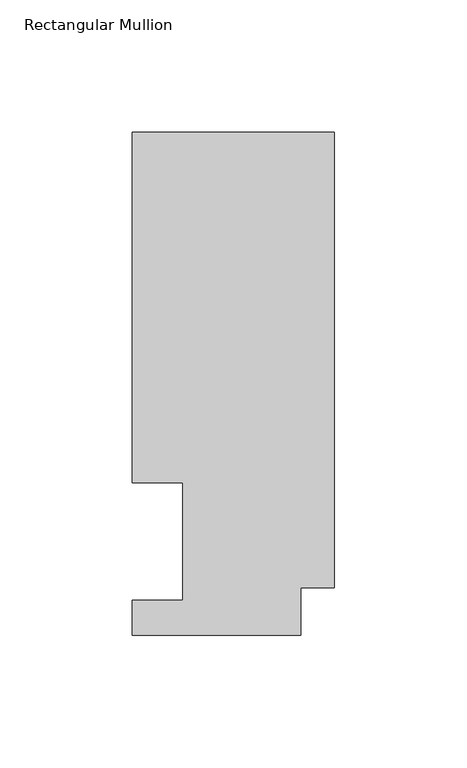
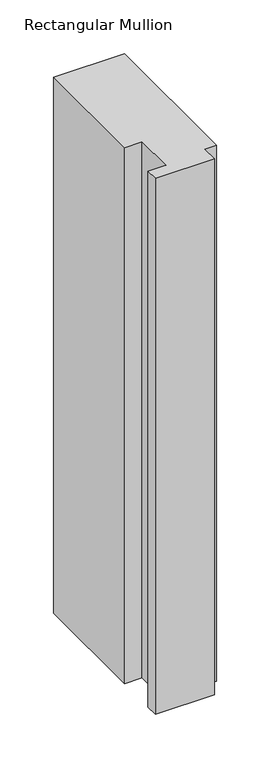
"""IFC4 building model written with IfcOpenShell, lengths in millimetres: member geometry, Rectangular Mullion."""

from ifc_helpers import new_model, si_unit, frame, origin, place, context, project, spatial, polyline, outline, extrude, source, transform, mapped, element, save


def rectangular_mullion_394ada82(model_context):
    return source(origin(), model_context, "Body", "SweptSolid", [
        extrude(outline(polyline([(0.0, 189.8022938), (0.0, 17.9712938), (-12.7, 17.9712938), (-12.7, 0.0134938), (-76.2, 0.0134938), (-76.2, 13.1960938), (-57.15, 13.1960938), (-57.15, 57.6460937), (-76.2, 57.6460938), (-76.2, 189.8022938), (0.0, 189.8022938)])), frame((0.0, 0.0, -609.6), z_axis=(0.0, 0.0, 1.0), x_axis=(1.0, 0.0, 0.0)), (0.0, 0.0, 1.0), 609.6),
    ])


if __name__ == "__main__":
    model = new_model("IFC4")
    model_context = context("Model", 3, world=origin())
    ifc_project = project(units=[si_unit("LENGTHUNIT", "METRE", prefix="MILLI")], contexts=[model_context])
    site = spatial("IfcSite", under=ifc_project)
    building = spatial("IfcBuilding", under=site)
    placement = place(None, origin())
    rectangular_mullion_shape = rectangular_mullion_394ada82(model_context)
    element("IfcMember", 1, ObjectType="Rectangular Mullion", at=placement, inside=building, context=model_context, shape_type="MappedRepresentation", body=[
        mapped(rectangular_mullion_shape, transform((0.0, 0.0, 0.0), x_axis=(1.0, 0.0, 0.0), y_axis=(0.0, 1.0, 0.0), z_axis=(0.0, 0.0, 1.0))),
    ])
    save(model, "model.ifc")
